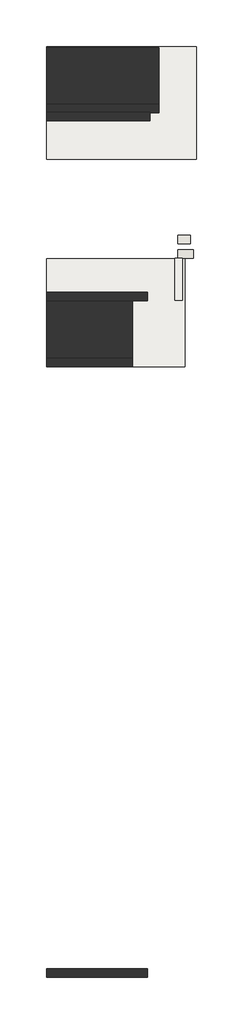
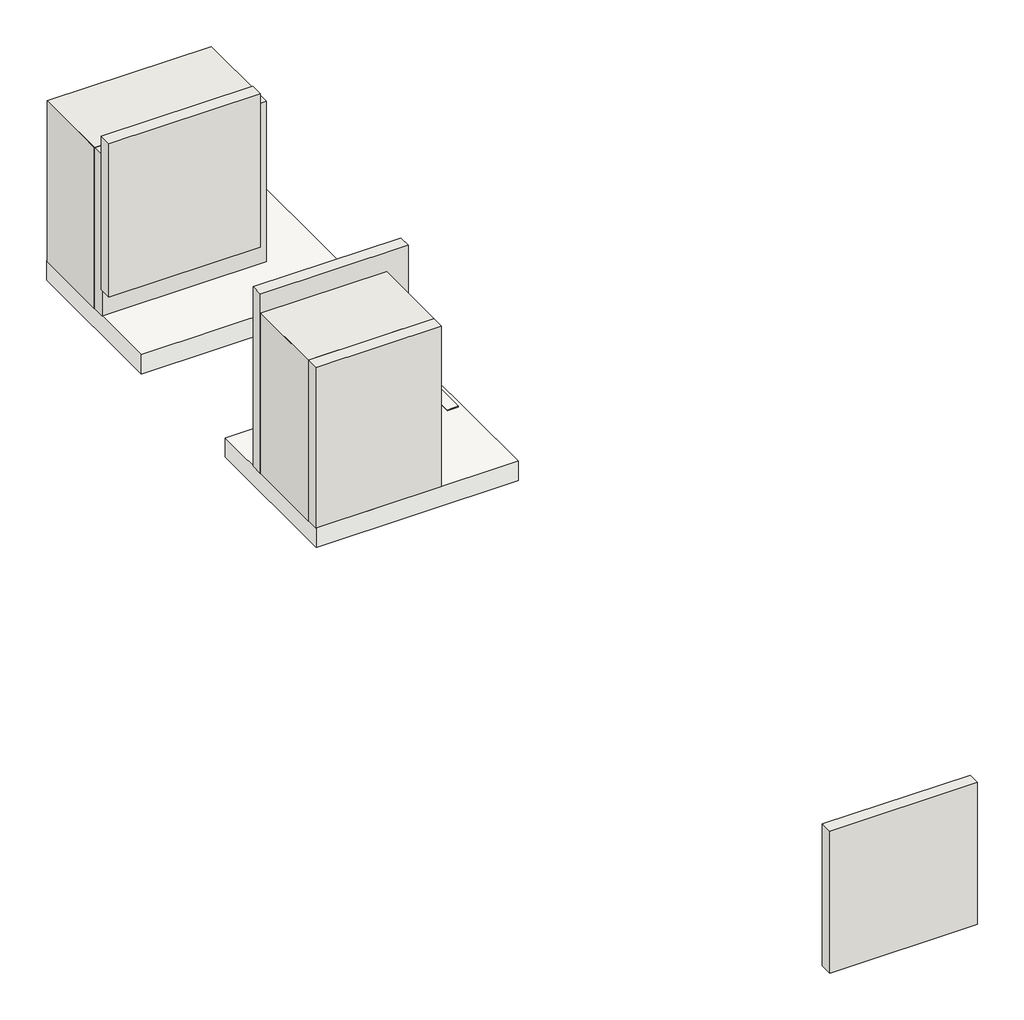
# One storey: 9 walls, 2 slabs, 1 covering.
"""IFC4 building model written with IfcOpenShell, lengths in millimetres."""

from ifc_helpers import new_model, si_unit, frame, origin, place, context, project, spatial, polyline, outline, extrude, element, save

model = new_model("IFC4")

# Units and contexts
model_context = context("Model", 3, world=origin())
ifc_project = project(units=[si_unit("LENGTHUNIT", "METRE", prefix="MILLI")], contexts=[model_context])

# Site, building, storey
site = spatial("IfcSite", under=ifc_project)
building = spatial("IfcBuilding", under=site)
storey = spatial("IfcBuildingStorey", under=building, Elevation=-300.0)

# Covering
placement = place(None, origin())
element("IfcCovering", 1, at=placement, inside=storey, context=model_context, shape_type="SweptSolid", body=[
    extrude(outline(polyline([(-14888.0829858, -217.367479), (-14888.0829858, -891.0163036), (-15008.0829858, -891.0163036), (-15008.0829858, -217.367479), (-14888.0829858, -217.367479)])), frame((0.0, 0.0, 3.0), z_axis=(0.0, 0.0, 1.0), x_axis=(1.0, 0.0, 0.0)), (0.0, 0.0, 1.0), 57.0),
])

# Slabs
element("IfcSlab", 2, at=placement, inside=storey, context=model_context, shape_type="SweptSolid", body=[
    extrude(outline(polyline([(-17060.7481616, -224.6756603), (-14843.9696732, -224.6756603), (-14843.9696732, -1951.918199), (-17060.7481616, -1951.918199), (-17060.7481616, -224.6756603)])), frame((0.0, 0.0, -175.0), z_axis=(0.0, 0.0, 1.0), x_axis=(1.0, 0.0, 0.0)), (0.0, 0.0, 1.0), 225.0),
])
element("IfcSlab", 3, at=placement, inside=storey, context=model_context, shape_type="SweptSolid", body=[
    extrude(outline(polyline([(-17060.7481616, 3168.640697), (-14660.7481616, 3168.640697), (-14660.7481616, 1368.640697), (-17060.7481616, 1368.640697), (-17060.7481616, 3168.640697)])), frame((0.0, 0.0, -175.0), z_axis=(0.0, 0.0, 1.0), x_axis=(1.0, 0.0, 0.0)), (0.0, 0.0, 1.0), 225.0),
])

# Walls
element("IfcWall", 4, at=placement, inside=storey, context=model_context, shape_type="SweptSolid", body=[
    extrude(outline(polyline([(-17063.9696732, -761.0163036), (-15443.9696732, -761.0163036), (-15443.9696732, -901.0163036), (-17063.9696732, -901.0163036), (-17063.9696732, -761.0163036)])), frame((0.0, 0.0, 50.0), z_axis=(0.0, 0.0, 1.0), x_axis=(1.0, 0.0, 0.0)), (0.0, 0.0, 1.0), 2080.0),
])
element("IfcWall", 5, at=placement, inside=storey, context=model_context, shape_type="SweptSolid", body=[
    extrude(outline(polyline([(-17063.9696732, 2118.9836964), (-15403.9696732, 2118.9836964), (-15403.9696732, 1978.9836964), (-17063.9696732, 1978.9836964), (-17063.9696732, 2118.9836964)])), frame((0.0, 0.0, 350.0), z_axis=(0.0, 0.0, 1.0), x_axis=(1.0, 0.0, 0.0)), (0.0, 0.0, 1.0), 1780.0),
])
element("IfcWall", 6, at=placement, inside=storey, context=model_context, shape_type="SweptSolid", body=[
    extrude(outline(polyline([(-14960.7481616, -79.9045197), (-14705.7481616, -79.9045197), (-14705.7481616, -219.9045197), (-14960.7481616, -219.9045197), (-14960.7481616, -79.9045197)])), frame((0.0, 0.0, -177.8647683), z_axis=(0.0, 0.0, 1.0), x_axis=(1.0, 0.0, 0.0)), (0.0, 0.0, 1.0), 207.8647683),
])
element("IfcWall", 7, at=placement, inside=storey, context=model_context, shape_type="SweptSolid", body=[
    extrude(outline(polyline([(-14960.7481616, 151.9796777), (-14760.7481616, 151.9796777), (-14760.7481616, 11.9796777), (-14960.7481616, 11.9796777), (-14960.7481616, 151.9796777)])), frame((0.0, 0.0, -177.8647683), z_axis=(0.0, 0.0, 1.0), x_axis=(1.0, 0.0, 0.0)), (0.0, 0.0, 1.0), 212.8647683),
])
element("IfcWall", 8, at=placement, inside=storey, context=model_context, shape_type="SweptSolid", body=[
    extrude(outline(polyline([(-17063.9696732, 3151.9796777), (-15263.9696732, 3151.9796777), (-15263.9696732, 2251.9796777), (-17063.9696732, 2251.9796777), (-17063.9696732, 3151.9796777)])), frame((0.0, 0.0, 50.0), z_axis=(0.0, 0.0, 1.0), x_axis=(1.0, 0.0, 0.0)), (0.0, 0.0, 1.0), 1865.0),
])
element("IfcWall", 9, at=placement, inside=storey, context=model_context, shape_type="SweptSolid", body=[
    extrude(outline(polyline([(-17063.9696732, 3008.9836964), (-15263.9696732, 3008.9836964), (-15263.9696732, 2108.9836964), (-17063.9696732, 2108.9836964), (-17063.9696732, 3008.9836964)])), frame((0.0, 0.0, 50.0), z_axis=(0.0, 0.0, 1.0), x_axis=(1.0, 0.0, 0.0)), (0.0, 0.0, 1.0), 1865.0),
])
element("IfcWall", 10, at=placement, inside=storey, context=model_context, shape_type="SweptSolid", body=[
    extrude(outline(polyline([(-17063.9696732, -908.9222178), (-15683.9696732, -908.9222178), (-15683.9696732, -1808.9222178), (-17063.9696732, -1808.9222178), (-17063.9696732, -908.9222178)])), frame((0.0, 0.0, 50.0), z_axis=(0.0, 0.0, 1.0), x_axis=(1.0, 0.0, 0.0)), (0.0, 0.0, 1.0), 1865.0),
])
element("IfcWall", 11, at=placement, inside=storey, context=model_context, shape_type="SweptSolid", body=[
    extrude(outline(polyline([(-17063.9696732, -1051.918199), (-15683.9696732, -1051.918199), (-15683.9696732, -1951.918199), (-17063.9696732, -1951.918199), (-17063.9696732, -1051.918199)])), frame((0.0, 0.0, 50.0), z_axis=(0.0, 0.0, 1.0), x_axis=(1.0, 0.0, 0.0)), (0.0, 0.0, 1.0), 1865.0),
])
element("IfcWall", 12, at=placement, inside=storey, context=model_context, shape_type="SweptSolid", body=[
    extrude(outline(polyline([(-17063.9696732, -11581.0163036), (-15443.9696732, -11581.0163036), (-15443.9696732, -11721.0163036), (-17063.9696732, -11721.0163036), (-17063.9696732, -11581.0163036)])), frame((0.0, 0.0, 810.2791548), z_axis=(0.0, 0.0, 1.0), x_axis=(1.0, 0.0, 0.0)), (0.0, 0.0, 1.0), 1646.4033314),
])

save(model, "model.ifc")
